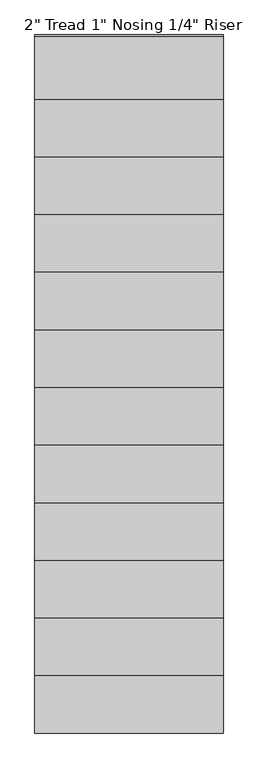
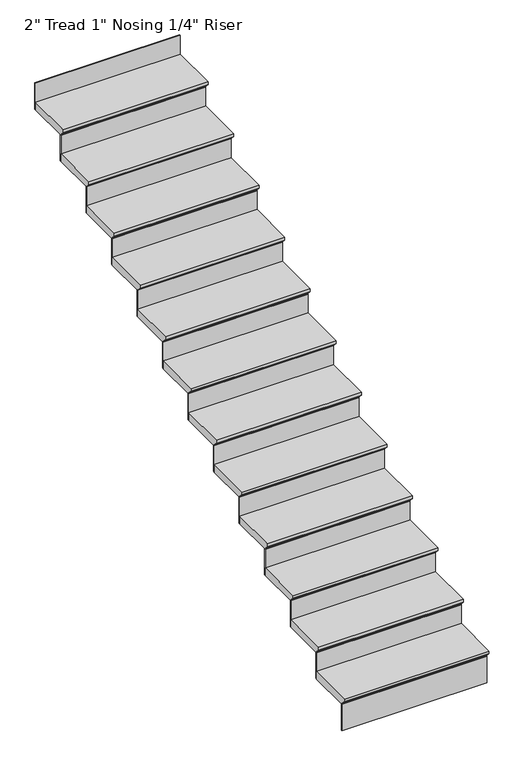
"""IFC4 building model written with IfcOpenShell, lengths in millimetres: stair flight geometry."""

import ifcopenshell
import ifcopenshell.guid

model = None  # the IFC model being written
_history = None  # IfcOwnerHistory: only IFC2X3 demands one
_inside = {}  # id of a spatial element -> (the spatial element, [elements in it])
_under = {}  # id of a project, library or spatial element -> (it, [spatial elements below it])
_declared = {}  # id of a project -> (the project, [libraries it declares])
_typed = {}  # id of a type object -> (the type object, [elements of that type])
_made_of = {}  # id of a material, layer set ... -> (it, [elements and type objects made of it])


def new_model(schema):
    """Start an empty IFC model of exactly this schema.

    Asked for "IFC4X3", IfcOpenShell would pick the latest addendum, in which some entities
    have other attributes; the version numbers below select the first issue.
    IFC2X3 requires an IfcOwnerHistory on every rooted entity: one is made here for all.
    """
    global model, _history
    if schema == "IFC4X3":
        model = ifcopenshell.file(schema_version=(4, 3, 0, 0))
    else:
        model = ifcopenshell.file(schema=schema)
    _inside.clear()
    _under.clear()
    _declared.clear()
    _typed.clear()
    _made_of.clear()
    _history = None
    if model.schema == "IFC2X3":
        org = make("IfcOrganization", Name="unknown")
        user = make(
            "IfcPersonAndOrganization",
            ThePerson=make("IfcPerson", FamilyName="unknown"),
            TheOrganization=org,
        )
        app = make(
            "IfcApplication",
            ApplicationDeveloper=org,
            Version="unknown",
            ApplicationFullName="unknown",
            ApplicationIdentifier="unknown",
        )
        _history = make(
            "IfcOwnerHistory",
            OwningUser=user,
            OwningApplication=app,
            ChangeAction="ADDED",
            CreationDate=0,
        )
    return model


def make(cls, **values):
    """One entity of the class cls with the attributes given. An attribute that is None is left unset."""
    return model.create_entity(
        cls, **{name: value for name, value in values.items() if value is not None}
    )


def rooted(cls, **values):
    """An entity with a GlobalId (a new one), such as an element, a storey or a relation."""
    return make(cls, GlobalId=ifcopenshell.guid.new(), OwnerHistory=_history, **values)


def si_unit(unit_type, name, prefix=None):
    """IfcSIUnit, for example si_unit("LENGTHUNIT", "METRE", prefix="MILLI")."""
    return make("IfcSIUnit", UnitType=unit_type, Prefix=prefix, Name=name)


def assignment(units):
    """IfcUnitAssignment: the units of a project."""
    return None if units is None else make("IfcUnitAssignment", Units=units)


def point(xyz):
    """IfcCartesianPoint."""
    return None if xyz is None else make("IfcCartesianPoint", Coordinates=xyz)


def direction(xyz):
    """IfcDirection."""
    return None if xyz is None else make("IfcDirection", DirectionRatios=xyz)


def frame(location, z_axis=None, x_axis=None):
    """IfcAxis2Placement3D, a coordinate frame: its origin and axes. An axis left out is left unset."""
    return make(
        "IfcAxis2Placement3D",
        Location=point(location),
        Axis=direction(z_axis),
        RefDirection=direction(x_axis),
    )


def origin():
    """The frame at (0, 0, 0) with its axes left unset."""
    return frame((0.0, 0.0, 0.0))


def place(relative_to, where):
    """IfcLocalPlacement: puts the frame where relative to a parent placement (None: the world)."""
    return make(
        "IfcLocalPlacement", PlacementRelTo=relative_to, RelativePlacement=where
    )


def context(
    kind, dimensions, precision=None, world=None, true_north=None, identifier=None
):
    """IfcGeometricRepresentationContext, for example the 3D "Model" context."""
    return make(
        "IfcGeometricRepresentationContext",
        ContextIdentifier=identifier,
        ContextType=kind,
        CoordinateSpaceDimension=dimensions,
        Precision=precision,
        WorldCoordinateSystem=world,
        TrueNorth=true_north,
    )


def project(units=None, contexts=None):
    """IfcProject with its units and contexts."""
    return rooted(
        "IfcProject",
        Name="project",
        RepresentationContexts=contexts,
        UnitsInContext=assignment(units),
    )


def spatial(cls, under=None, at=None, **own):
    """A site, building, storey or space (cls), placed at a placement, below another one or the project."""
    s = rooted(cls, ObjectPlacement=at, **own)
    if under is not None:
        _under.setdefault(under.id(), (under, []))[1].append(s)
    return s


def polyline(points):
    """IfcPolyline through the points."""
    return make("IfcPolyline", Points=[point(p) for p in points])


def outline(outer, holes=None, kind="AREA"):
    """IfcArbitraryClosedProfileDef: a profile drawn as a closed curve; with holes, ...WithVoids."""
    if holes is None:
        return make("IfcArbitraryClosedProfileDef", ProfileType=kind, OuterCurve=outer)
    return make(
        "IfcArbitraryProfileDefWithVoids",
        ProfileType=kind,
        OuterCurve=outer,
        InnerCurves=holes,
    )


def extrude(swept, where, along, depth):
    """IfcExtrudedAreaSolid: the profile swept, set in the frame where, extruded along a direction by depth."""
    return make(
        "IfcExtrudedAreaSolid",
        SweptArea=swept,
        Position=where,
        ExtrudedDirection=direction(along),
        Depth=depth,
    )


def shape(context_of_items, identifier, shape_type, items):
    """IfcShapeRepresentation: the items that make up one representation, for example the "Body"."""
    return make(
        "IfcShapeRepresentation",
        ContextOfItems=context_of_items,
        RepresentationIdentifier=identifier,
        RepresentationType=shape_type,
        Items=items,
    )


def source(mapping_origin, context_of_items, identifier, shape_type, items):
    """IfcRepresentationMap: a shape defined once, which mapped items show again and again."""
    return make(
        "IfcRepresentationMap",
        MappingOrigin=mapping_origin,
        MappedRepresentation=shape(context_of_items, identifier, shape_type, items),
    )


def transform(
    local_origin,
    x_axis=None,
    y_axis=None,
    z_axis=None,
    scale=None,
    scale2=None,
    scale3=None,
    uniform=True,
):
    """IfcCartesianTransformationOperator3D, or its non-uniform kind. x_axis, y_axis, z_axis: its Axis1, 2, 3."""
    if uniform:
        return make(
            "IfcCartesianTransformationOperator3D",
            Axis1=direction(x_axis),
            Axis2=direction(y_axis),
            LocalOrigin=point(local_origin),
            Scale=scale,
            Axis3=direction(z_axis),
        )
    return make(
        "IfcCartesianTransformationOperator3DnonUniform",
        Axis1=direction(x_axis),
        Axis2=direction(y_axis),
        LocalOrigin=point(local_origin),
        Scale=scale,
        Axis3=direction(z_axis),
        Scale2=scale2,
        Scale3=scale3,
    )


def mapped(mapping_source, mapping_target):
    """IfcMappedItem: shows the shape of a source again, moved by a transform."""
    return make(
        "IfcMappedItem", MappingSource=mapping_source, MappingTarget=mapping_target
    )


def made_of(thing, what):
    """Note that an element or type object is made of a material, layer set ...; save() writes the relation."""
    if what is not None:
        _made_of.setdefault(what.id(), (what, []))[1].append(thing)
    return thing


def element(
    cls,
    number,
    at=None,
    inside=None,
    cuts=None,
    type_object=None,
    material=None,
    context=None,
    identifier="Body",
    shape_type=None,
    held_by="IfcProductDefinitionShape",
    body=None,
    shapes=None,
    **own,
):
    """One element of the class cls, such as IfcWall. Its Tag is "e" and its number.

    at: its placement. inside: the storey or other place that contains it. cuts: it is an
    opening in that element (IfcRelVoidsElement). A single representation is given by context,
    identifier, shape_type and body (its items); several are given by shapes. held_by: the class
    of the entity that holds the representations. save() writes the other relations.
    """
    e = rooted(cls, Tag="e%d" % number, ObjectPlacement=at, **own)
    if body is not None:
        shapes = [shape(context, identifier, shape_type, body)]
    if shapes is not None:
        e.Representation = make(held_by, Representations=shapes)
    if inside is not None:
        _inside.setdefault(inside.id(), (inside, []))[1].append(e)
    if cuts is not None:
        rooted(
            "IfcRelVoidsElement", RelatingBuildingElement=cuts, RelatedOpeningElement=e
        )
    if type_object is not None:
        _typed.setdefault(type_object.id(), (type_object, []))[1].append(e)
    return made_of(e, material)


def aggregate(whole, parts):
    """IfcRelAggregates: a whole, such as a stair, and the parts it consists of."""
    return rooted("IfcRelAggregates", RelatingObject=whole, RelatedObjects=parts)


def save(model, path):
    """Write the relations noted so far, then the file.

    IfcRelAggregates (storeys below a building ...), IfcRelContainedInSpatialStructure (elements
    in a storey), IfcRelDefinesByType, IfcRelAssociatesMaterial and IfcRelDeclares: one each for
    every whole, place, type object, material and project.
    """
    for whole, parts in _under.values():
        aggregate(whole, parts)
    for where, things in _inside.values():
        rooted(
            "IfcRelContainedInSpatialStructure",
            RelatedElements=things,
            RelatingStructure=where,
        )
    for kind, things in _typed.values():
        rooted("IfcRelDefinesByType", RelatedObjects=things, RelatingType=kind)
    for what, things in _made_of.values():
        rooted("IfcRelAssociatesMaterial", RelatedObjects=things, RelatingMaterial=what)
    for by, libraries in _declared.values():
        rooted("IfcRelDeclares", RelatingContext=by, RelatedDefinitions=libraries)
    model.write(path)


def stair_flight_0a57502a(model_context):
    return source(origin(), model_context, "Body", "SweptSolid", [
        extrude(outline(polyline([(-56415.1253753, 2461.8461538), (-56110.3253753, 2461.8461538), (-56110.3253753, 2411.0461538), (-56389.7253753, 2411.0461538), (-56389.7253753, 2417.3961538), (-56415.1253753, 2442.7961538), (-56415.1253753, 2461.8461538)])), frame((-14424.8729688, 0.0, 0.0), z_axis=(1.0, 0.0, 0.0), x_axis=(0.0, 1.0, 0.0)), (0.0, 0.0, 1.0), 914.4),
        extrude(outline(polyline([(-13510.4729688, -56383.3753753), (-13510.4729688, -56389.7253753), (-14424.8729688, -56389.7253753), (-14424.8729688, -56383.3753753), (-13510.4729688, -56383.3753753)])), frame((0.0, 0.0, 2235.2), z_axis=(0.0, 0.0, 1.0), x_axis=(1.0, 0.0, 0.0)), (0.0, 0.0, 1.0), 175.8461538),
        extrude(outline(polyline([(-13510.4729688, -56103.9753753), (-13510.4729688, -56110.3253753), (-14424.8729688, -56110.3253753), (-14424.8729688, -56103.9753753), (-13510.4729688, -56103.9753753)])), frame((0.0, 0.0, 2411.0461538), z_axis=(0.0, 0.0, 1.0), x_axis=(1.0, 0.0, 0.0)), (0.0, 0.0, 1.0), 175.8461538),
        extrude(outline(polyline([(-56135.7253753, 2637.6923077), (-55830.9253753, 2637.6923077), (-55830.9253753, 2586.8923077), (-56110.3253753, 2586.8923077), (-56110.3253753, 2593.2423077), (-56135.7253753, 2618.6423077), (-56135.7253753, 2637.6923077)])), frame((-14424.8729688, 0.0, 0.0), z_axis=(1.0, 0.0, 0.0), x_axis=(0.0, 1.0, 0.0)), (0.0, 0.0, 1.0), 914.4),
        extrude(outline(polyline([(-13510.4729688, -55824.5753753), (-13510.4729688, -55830.9253753), (-14424.8729688, -55830.9253753), (-14424.8729688, -55824.5753753), (-13510.4729688, -55824.5753753)])), frame((0.0, 0.0, 2586.8923077), z_axis=(0.0, 0.0, 1.0), x_axis=(1.0, 0.0, 0.0)), (0.0, 0.0, 1.0), 175.8461538),
        extrude(outline(polyline([(-55856.3253753, 2813.5384615), (-55551.5253753, 2813.5384615), (-55551.5253753, 2762.7384615), (-55830.9253753, 2762.7384615), (-55830.9253753, 2769.0884615), (-55856.3253753, 2794.4884615), (-55856.3253753, 2813.5384615)])), frame((-14424.8729688, 0.0, 0.0), z_axis=(1.0, 0.0, 0.0), x_axis=(0.0, 1.0, 0.0)), (0.0, 0.0, 1.0), 914.4),
        extrude(outline(polyline([(-13510.4729688, -55545.1753753), (-13510.4729688, -55551.5253753), (-14424.8729688, -55551.5253753), (-14424.8729688, -55545.1753753), (-13510.4729688, -55545.1753753)])), frame((0.0, 0.0, 2762.7384615), z_axis=(0.0, 0.0, 1.0), x_axis=(1.0, 0.0, 0.0)), (0.0, 0.0, 1.0), 175.8461538),
        extrude(outline(polyline([(-55576.9253753, 2989.3846154), (-55272.1253753, 2989.3846154), (-55272.1253753, 2938.5846154), (-55551.5253753, 2938.5846154), (-55551.5253753, 2944.9346154), (-55576.9253753, 2970.3346154), (-55576.9253753, 2989.3846154)])), frame((-14424.8729688, 0.0, 0.0), z_axis=(1.0, 0.0, 0.0), x_axis=(0.0, 1.0, 0.0)), (0.0, 0.0, 1.0), 914.4),
        extrude(outline(polyline([(-13510.4729688, -55265.7753753), (-13510.4729688, -55272.1253753), (-14424.8729688, -55272.1253753), (-14424.8729688, -55265.7753753), (-13510.4729688, -55265.7753753)])), frame((0.0, 0.0, 2938.5846154), z_axis=(0.0, 0.0, 1.0), x_axis=(1.0, 0.0, 0.0)), (0.0, 0.0, 1.0), 175.8461538),
        extrude(outline(polyline([(-55297.5253753, 3165.2307692), (-54992.7253753, 3165.2307692), (-54992.7253753, 3114.4307692), (-55272.1253753, 3114.4307692), (-55272.1253753, 3120.7807692), (-55297.5253753, 3146.1807692), (-55297.5253753, 3165.2307692)])), frame((-14424.8729688, 0.0, 0.0), z_axis=(1.0, 0.0, 0.0), x_axis=(0.0, 1.0, 0.0)), (0.0, 0.0, 1.0), 914.4),
        extrude(outline(polyline([(-13510.4729688, -54986.3753753), (-13510.4729688, -54992.7253753), (-14424.8729688, -54992.7253753), (-14424.8729688, -54986.3753753), (-13510.4729688, -54986.3753753)])), frame((0.0, 0.0, 3114.4307692), z_axis=(0.0, 0.0, 1.0), x_axis=(1.0, 0.0, 0.0)), (0.0, 0.0, 1.0), 175.8461538),
        extrude(outline(polyline([(-55018.1253753, 3341.0769231), (-54713.3253753, 3341.0769231), (-54713.3253753, 3290.2769231), (-54992.7253753, 3290.2769231), (-54992.7253753, 3296.6269231), (-55018.1253753, 3322.0269231), (-55018.1253753, 3341.0769231)])), frame((-14424.8729688, 0.0, 0.0), z_axis=(1.0, 0.0, 0.0), x_axis=(0.0, 1.0, 0.0)), (0.0, 0.0, 1.0), 914.4),
        extrude(outline(polyline([(-13510.4729688, -54706.9753753), (-13510.4729688, -54713.3253753), (-14424.8729688, -54713.3253753), (-14424.8729688, -54706.9753753), (-13510.4729688, -54706.9753753)])), frame((0.0, 0.0, 3290.2769231), z_axis=(0.0, 0.0, 1.0), x_axis=(1.0, 0.0, 0.0)), (0.0, 0.0, 1.0), 175.8461538),
        extrude(outline(polyline([(-54738.7253753, 3516.9230769), (-54433.9253753, 3516.9230769), (-54433.9253753, 3466.1230769), (-54713.3253753, 3466.1230769), (-54713.3253753, 3472.4730769), (-54738.7253753, 3497.8730769), (-54738.7253753, 3516.9230769)])), frame((-14424.8729688, 0.0, 0.0), z_axis=(1.0, 0.0, 0.0), x_axis=(0.0, 1.0, 0.0)), (0.0, 0.0, 1.0), 914.4),
        extrude(outline(polyline([(-13510.4729688, -54427.5753753), (-13510.4729688, -54433.9253753), (-14424.8729688, -54433.9253753), (-14424.8729688, -54427.5753753), (-13510.4729688, -54427.5753753)])), frame((0.0, 0.0, 3466.1230769), z_axis=(0.0, 0.0, 1.0), x_axis=(1.0, 0.0, 0.0)), (0.0, 0.0, 1.0), 175.8461538),
        extrude(outline(polyline([(-54459.3253753, 3692.7692308), (-54154.5253753, 3692.7692308), (-54154.5253753, 3641.9692308), (-54433.9253753, 3641.9692308), (-54433.9253753, 3648.3192308), (-54459.3253753, 3673.7192308), (-54459.3253753, 3692.7692308)])), frame((-14424.8729688, 0.0, 0.0), z_axis=(1.0, 0.0, 0.0), x_axis=(0.0, 1.0, 0.0)), (0.0, 0.0, 1.0), 914.4),
        extrude(outline(polyline([(-13510.4729688, -54148.1753753), (-13510.4729688, -54154.5253753), (-14424.8729688, -54154.5253753), (-14424.8729688, -54148.1753753), (-13510.4729688, -54148.1753753)])), frame((0.0, 0.0, 3641.9692308), z_axis=(0.0, 0.0, 1.0), x_axis=(1.0, 0.0, 0.0)), (0.0, 0.0, 1.0), 175.8461538),
        extrude(outline(polyline([(-54179.9253753, 3868.6153846), (-53875.1253753, 3868.6153846), (-53875.1253753, 3817.8153846), (-54154.5253753, 3817.8153846), (-54154.5253753, 3824.1653846), (-54179.9253753, 3849.5653846), (-54179.9253753, 3868.6153846)])), frame((-14424.8729688, 0.0, 0.0), z_axis=(1.0, 0.0, 0.0), x_axis=(0.0, 1.0, 0.0)), (0.0, 0.0, 1.0), 914.4),
        extrude(outline(polyline([(-13510.4729688, -53868.7753753), (-13510.4729688, -53875.1253753), (-14424.8729688, -53875.1253753), (-14424.8729688, -53868.7753753), (-13510.4729688, -53868.7753753)])), frame((0.0, 0.0, 3817.8153846), z_axis=(0.0, 0.0, 1.0), x_axis=(1.0, 0.0, 0.0)), (0.0, 0.0, 1.0), 175.8461538),
        extrude(outline(polyline([(-53900.5253753, 4044.4615385), (-53595.7253753, 4044.4615385), (-53595.7253753, 3993.6615385), (-53875.1253753, 3993.6615385), (-53875.1253753, 4000.0115385), (-53900.5253753, 4025.4115385), (-53900.5253753, 4044.4615385)])), frame((-14424.8729688, 0.0, 0.0), z_axis=(1.0, 0.0, 0.0), x_axis=(0.0, 1.0, 0.0)), (0.0, 0.0, 1.0), 914.4),
        extrude(outline(polyline([(-13510.4729688, -53589.3753753), (-13510.4729688, -53595.7253753), (-14424.8729688, -53595.7253753), (-14424.8729688, -53589.3753753), (-13510.4729688, -53589.3753753)])), frame((0.0, 0.0, 3993.6615385), z_axis=(0.0, 0.0, 1.0), x_axis=(1.0, 0.0, 0.0)), (0.0, 0.0, 1.0), 175.8461538),
        extrude(outline(polyline([(-53621.1253753, 4220.3076923), (-53316.3253753, 4220.3076923), (-53316.3253753, 4169.5076923), (-53595.7253753, 4169.5076923), (-53595.7253753, 4175.8576923), (-53621.1253753, 4201.2576923), (-53621.1253753, 4220.3076923)])), frame((-14424.8729688, 0.0, 0.0), z_axis=(1.0, 0.0, 0.0), x_axis=(0.0, 1.0, 0.0)), (0.0, 0.0, 1.0), 914.4),
        extrude(outline(polyline([(-13510.4729688, -53309.9753753), (-13510.4729688, -53316.3253753), (-14424.8729688, -53316.3253753), (-14424.8729688, -53309.9753753), (-13510.4729688, -53309.9753753)])), frame((0.0, 0.0, 4169.5076923), z_axis=(0.0, 0.0, 1.0), x_axis=(1.0, 0.0, 0.0)), (0.0, 0.0, 1.0), 175.8461538),
        extrude(outline(polyline([(-13510.4729688, -53030.5753753), (-13510.4729688, -53036.9253753), (-14424.8729688, -53036.9253753), (-14424.8729688, -53030.5753753), (-13510.4729688, -53030.5753753)])), frame((0.0, 0.0, 4345.3538462), z_axis=(0.0, 0.0, 1.0), x_axis=(1.0, 0.0, 0.0)), (0.0, 0.0, 1.0), 175.8461538),
        extrude(outline(polyline([(-53341.7253753, 4396.1538462), (-53036.9253753, 4396.1538462), (-53036.9253753, 4345.3538462), (-53316.3253753, 4345.3538462), (-53316.3253753, 4351.7038462), (-53341.7253753, 4377.1038462), (-53341.7253753, 4396.1538462)])), frame((-14424.8729688, 0.0, 0.0), z_axis=(1.0, 0.0, 0.0), x_axis=(0.0, 1.0, 0.0)), (0.0, 0.0, 1.0), 914.4),
    ])


if __name__ == "__main__":
    model = new_model("IFC4")
    model_context = context("Model", 3, world=origin())
    ifc_project = project(units=[si_unit("LENGTHUNIT", "METRE", prefix="MILLI")], contexts=[model_context])
    site = spatial("IfcSite", under=ifc_project)
    building = spatial("IfcBuilding", under=site)
    placement = place(None, origin())
    stair_flight_shape = stair_flight_0a57502a(model_context)
    element("IfcStairFlight", 1, ObjectType="2\" Tread 1\" Nosing 1/4\" Riser", at=placement, inside=building, context=model_context, shape_type="MappedRepresentation", body=[
        mapped(stair_flight_shape, transform((0.0, 0.0, 0.0), x_axis=(1.0, 0.0, 0.0), y_axis=(0.0, 1.0, 0.0), z_axis=(0.0, 0.0, 1.0))),
    ])
    save(model, "model.ifc")
